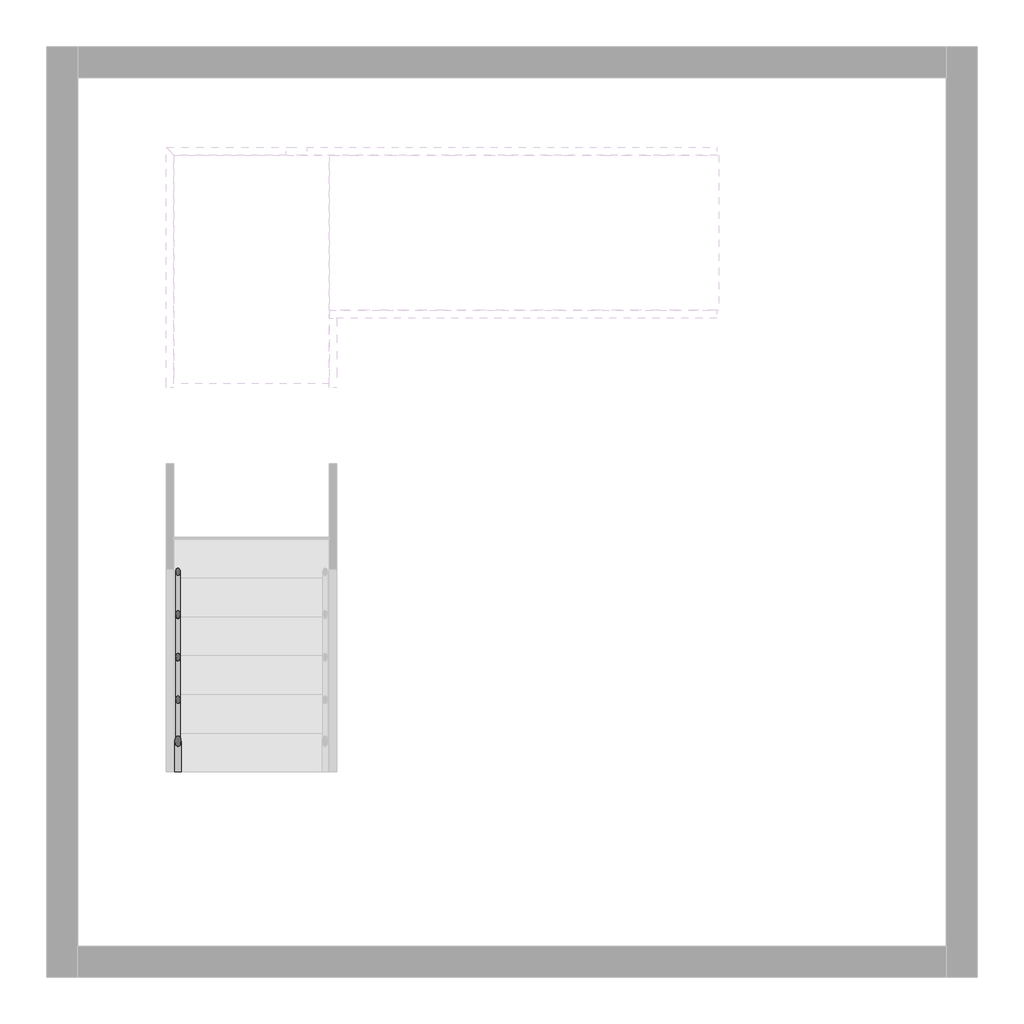
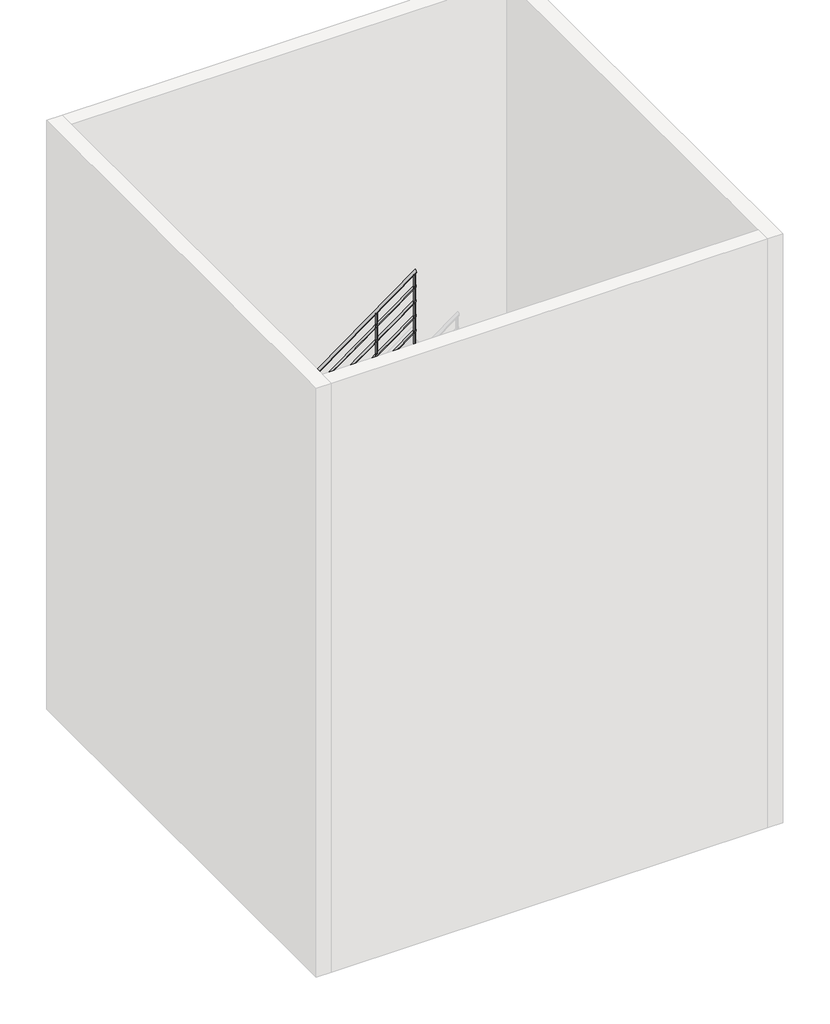
# One storey, part 6 of 7: 1 railing.
"""IFC4 building model written with IfcOpenShell, lengths in millimetres."""

from ifc_helpers import new_model, si_unit, point, frame, frame_2d, origin, place, context, project, spatial, circle_curve, ellipse_curve, trimmed, segment, composite_curve, outline, extrude, element, save
from ifc_brep_helpers import plane_surface, cylinder_surface, advanced_brep

model = new_model("IFC4")

# Units and contexts
model_context = context("Model", 3, world=origin())
ifc_project = project(units=[si_unit("LENGTHUNIT", "METRE", prefix="MILLI")], contexts=[model_context])

# Site, building, storey
site = spatial("IfcSite", under=ifc_project)
building = spatial("IfcBuilding", under=site)
storey = spatial("IfcBuildingStorey", under=building, Elevation=0.0)

# Railing
placement = place(None, origin())
element("IfcRailing", 1, at=placement, inside=storey, context=model_context, shape_type="SolidModel", body=[
    advanced_brep(
    [(4724.9324543, -20822.7019092, 1057.0882354), (4684.9324543, -20822.7019092, 1057.0882354), (4724.9324543, -18316.198233, 2880.0), (4684.9324543, -18316.198233, 2880.0), (4724.9324543, -16893.6676251, 2880.0), (4684.9324543, -16853.6676251, 2880.0), (5436.0361305, -16893.6676251, 2880.0), (5436.0361305, -16853.6676251, 2880.0), (5691.2958882, -16893.6676251, 3065.6434601), (5691.2958882, -16853.6676251, 3065.6434601), (8179.5324543, -16893.6676251, 4875.2700536), (8179.5324543, -16853.6676251, 4875.2700536)],
    [
        (0, 1, ellipse_curve(frame((4704.9324543, -20822.7019092, 1057.0882354), z_axis=(0.0, -1.0, 0.0), x_axis=(0.0, 0.0, -1.0)), 24.7299464, 20.0)),
        (1, 0, ellipse_curve(frame((4704.9324543, -20822.7019092, 1057.0882354), z_axis=(0.0, -1.0, 0.0), x_axis=(0.0, 0.0, -1.0)), 24.7299464, 20.0)),
        (0, 2),
        (2, 3, ellipse_curve(frame((4704.9324543, -18316.198233, 2880.0), z_axis=(0.0, -0.9509826718461248, -0.30924417189076636), x_axis=(0.0, 0.30924417189076703, -0.9509826718461245)), 21.0308774, 20.0)),
        (3, 1),
        (3, 2, ellipse_curve(frame((4704.9324543, -18316.198233, 2880.0), z_axis=(0.0, -0.9509826718461248, -0.30924417189076636), x_axis=(0.0, 0.30924417189076703, -0.9509826718461245)), 21.0308774, 20.0)),
        (2, 4),
        (4, 5, ellipse_curve(frame((4704.9324543, -16873.6676251, 2880.0), z_axis=(-0.7071067811865475, -0.7071067811865475, 0.0), x_axis=(0.7071067811865474, -0.7071067811865476, 0.0)), 28.2842712, 20.0)),
        (5, 3),
        (5, 4, ellipse_curve(frame((4704.9324543, -16873.6676251, 2880.0), z_axis=(-0.7071067811865475, -0.7071067811865475, 0.0), x_axis=(0.7071067811865474, -0.7071067811865476, 0.0)), 28.2842712, 20.0)),
        (4, 6),
        (6, 7, ellipse_curve(frame((5436.0361305, -16873.6676251, 2880.0), z_axis=(-0.9509826718461248, 0.0, -0.3092441718907662), x_axis=(-0.3092441718907657, 0.0, 0.9509826718461248)), 21.0308774, 20.0)),
        (7, 5),
        (7, 6, ellipse_curve(frame((5436.0361305, -16873.6676251, 2880.0), z_axis=(-0.9509826718461248, 0.0, -0.3092441718907662), x_axis=(-0.3092441718907657, 0.0, 0.9509826718461248)), 21.0308774, 20.0)),
        (6, 8),
        (8, 9, circle_curve(frame((5691.2958882, -16873.6676251, 3065.6434601), z_axis=(-0.8087360843031884, 0.0, -0.5881716976750463), x_axis=(0.0, 1.0, 0.0)), 20.0)),
        (9, 7),
        (9, 8, circle_curve(frame((5691.2958882, -16873.6676251, 3065.6434601), z_axis=(-0.8087360843031884, 0.0, -0.5881716976750463), x_axis=(0.0, 1.0, 0.0)), 20.0)),
        (10, 11, ellipse_curve(frame((8179.5324543, -16873.6676251, 4875.2700536), z_axis=(1.0, 0.0, 0.0), x_axis=(0.0, 0.0, -1.0)), 24.7299464, 20.0)),
        (11, 10, ellipse_curve(frame((8179.5324543, -16873.6676251, 4875.2700536), z_axis=(1.0, 0.0, 0.0), x_axis=(0.0, 0.0, -1.0)), 24.7299464, 20.0)),
        (8, 10),
        (11, 9),
    ],
    [
        plane_surface(frame((4704.9324543, -20822.7019092, 1081.8181818), z_axis=(0.0, -1.0, 0.0), x_axis=(0.0, 0.0, 1.0))),
        cylinder_surface(frame((4704.9324543, -20810.9384753, 1065.6434601), z_axis=(0.0, -0.8087360843031884, -0.5881716976750465), x_axis=(-1.0, 0.0, 0.0)), 20.0),
        cylinder_surface(frame((4704.9324543, -18322.7019092, 2880.0), z_axis=(0.0, -1.0, 0.0), x_axis=(-1.0, 0.0, 0.0)), 20.0),
        cylinder_surface(frame((4704.9324543, -16873.6676251, 2880.0), z_axis=(-1.0, 0.0, 0.0), x_axis=(0.0, 1.0, 0.0)), 20.0),
        cylinder_surface(frame((5441.2958882, -16873.6676251, 2883.8252783), z_axis=(-0.8087360843031884, 0.0, -0.5881716976750463), x_axis=(0.0, 1.0, 0.0)), 20.0),
        plane_surface(frame((8179.5324543, -16873.6676251, 4900.0), z_axis=(1.0, 0.0, 0.0), x_axis=(0.0, 1.0, 0.0))),
        cylinder_surface(frame((5691.2958882, -16873.6676251, 3065.6434601), z_axis=(-0.8087360843031883, 0.0, -0.5881716976750465), x_axis=(0.0, 1.0, 0.0)), 20.0),
    ],
    [
        (0, [[1, 2]]),
        (1, [[-1, 3, 4, 5]]),
        (1, [[-2, -5, 6, -3]]),
        (2, [[-4, 7, 8, 9]]),
        (2, [[-6, -9, 10, -7]]),
        (3, [[-8, 11, 12, 13]]),
        (3, [[-10, -13, 14, -11]]),
        (4, [[-12, 15, 16, 17]]),
        (4, [[-14, -17, 18, -15]]),
        (5, [[19, 20]]),
        (6, [[-16, 21, -20, 22]]),
        (6, [[-18, -22, -19, -21]]),
    ],
),
    advanced_brep(
    [(4719.9324543, -20822.7019092, 863.270722), (4689.9324543, -20822.7019092, 863.270722), (4719.9324543, -18322.7019092, 2681.4525402), (4689.9324543, -18322.7019092, 2681.4525402)],
    [
        (0, 1, ellipse_curve(frame((4704.9324543, -20822.7019092, 863.270722), z_axis=(0.0, -1.0, 0.0), x_axis=(0.0, 0.0, -1.0)), 18.5474598, 15.0)),
        (1, 0, ellipse_curve(frame((4704.9324543, -20822.7019092, 863.270722), z_axis=(0.0, -1.0, 0.0), x_axis=(0.0, 0.0, -1.0)), 18.5474598, 15.0)),
        (2, 3, ellipse_curve(frame((4704.9324543, -18322.7019092, 2681.4525402), z_axis=(0.0, 1.0, 0.0), x_axis=(0.0, 0.0, -1.0)), 18.5474598, 15.0)),
        (3, 2, ellipse_curve(frame((4704.9324543, -18322.7019092, 2681.4525402), z_axis=(0.0, 1.0, 0.0), x_axis=(0.0, 0.0, -1.0)), 18.5474598, 15.0)),
        (0, 2),
        (3, 1),
    ],
    [
        plane_surface(frame((4704.9324543, -20822.7019092, 881.8181818), z_axis=(0.0, -1.0, 0.0), x_axis=(0.0, 0.0, 1.0))),
        plane_surface(frame((4704.9324543, -18322.7019092, 2700.0), z_axis=(0.0, 1.0, 0.0), x_axis=(0.0, 0.0, 1.0))),
        cylinder_surface(frame((4704.9324543, -20813.8793338, 869.6871406), z_axis=(0.0, -0.8087360843031884, -0.5881716976750465), x_axis=(-1.0, 0.0, 0.0)), 15.0),
    ],
    [
        (0, [[1, 2]]),
        (1, [[3, 4]]),
        (2, [[-1, 5, -4, 6]]),
        (2, [[-2, -6, -3, -5]]),
    ],
),
    advanced_brep(
    [(4719.9324543, -18322.7019092, 2685.0), (4689.9324543, -18322.7019092, 2685.0), (4719.9324543, -16888.6676251, 2685.0), (4689.9324543, -16888.6676251, 2685.0)],
    [
        (0, 1, circle_curve(frame((4704.9324543, -18322.7019092, 2685.0), z_axis=(0.0, -1.0, 0.0), x_axis=(-1.0, 0.0, 0.0)), 15.0)),
        (1, 0, circle_curve(frame((4704.9324543, -18322.7019092, 2685.0), z_axis=(0.0, -1.0, 0.0), x_axis=(-1.0, 0.0, 0.0)), 15.0)),
        (2, 3, circle_curve(frame((4704.9324543, -16888.6676251, 2685.0), z_axis=(0.0, 1.0, 0.0), x_axis=(-1.0, 0.0, 0.0)), 15.0)),
        (3, 2, circle_curve(frame((4704.9324543, -16888.6676251, 2685.0), z_axis=(0.0, 1.0, 0.0), x_axis=(-1.0, 0.0, 0.0)), 15.0)),
        (0, 2),
        (3, 1),
    ],
    [
        plane_surface(frame((4704.9324543, -18322.7019092, 2700.0), z_axis=(0.0, -1.0, 0.0), x_axis=(0.0, 0.0, 1.0))),
        plane_surface(frame((4704.9324543, -16888.6676251, 2700.0), z_axis=(0.0, 1.0, 0.0), x_axis=(0.0, 0.0, 1.0))),
        cylinder_surface(frame((4704.9324543, -18322.7019092, 2685.0), z_axis=(0.0, -1.0, 0.0), x_axis=(-1.0, 0.0, 0.0)), 15.0),
    ],
    [
        (0, [[1, 2]]),
        (1, [[3, 4]]),
        (2, [[-1, 5, -4, 6]]),
        (2, [[-2, -6, -3, -5]]),
    ],
),
    advanced_brep(
    [(4689.9324543, -16888.6676251, 2685.0), (4689.9324543, -16858.6676251, 2685.0), (5434.4102115, -16888.6676251, 2685.0), (5434.4102115, -16858.6676251, 2685.0), (5679.5324543, -16888.6676251, 2863.270722), (5679.5324543, -16858.6676251, 2863.270722)],
    [
        (0, 1, circle_curve(frame((4689.9324543, -16873.6676251, 2685.0), z_axis=(-1.0, 0.0, 0.0), x_axis=(0.0, 1.0, 0.0)), 15.0)),
        (1, 0, circle_curve(frame((4689.9324543, -16873.6676251, 2685.0), z_axis=(-1.0, 0.0, 0.0), x_axis=(0.0, 1.0, 0.0)), 15.0)),
        (0, 2),
        (2, 3, ellipse_curve(frame((5434.4102115, -16873.6676251, 2685.0), z_axis=(-0.9509826718461248, 0.0, -0.3092441718907662), x_axis=(-0.30924417189076575, 0.0, 0.9509826718461248)), 15.7731581, 15.0)),
        (3, 1),
        (3, 2, ellipse_curve(frame((5434.4102115, -16873.6676251, 2685.0), z_axis=(-0.9509826718461248, 0.0, -0.3092441718907662), x_axis=(-0.30924417189076575, 0.0, 0.9509826718461248)), 15.7731581, 15.0)),
        (4, 5, ellipse_curve(frame((5679.5324543, -16873.6676251, 2863.270722), z_axis=(1.0, 0.0, 0.0), x_axis=(0.0, 0.0, -0.9999999999999999)), 18.5474598, 15.0)),
        (5, 4, ellipse_curve(frame((5679.5324543, -16873.6676251, 2863.270722), z_axis=(1.0, 0.0, 0.0), x_axis=(0.0, 0.0, -0.9999999999999999)), 18.5474598, 15.0)),
        (2, 4),
        (5, 3),
    ],
    [
        plane_surface(frame((4689.9324543, -16873.6676251, 2700.0), z_axis=(-1.0, 0.0, 0.0), x_axis=(0.0, 1.0, 0.0))),
        cylinder_surface(frame((4689.9324543, -16873.6676251, 2685.0), z_axis=(-1.0, 0.0, 0.0), x_axis=(0.0, 1.0, 0.0)), 15.0),
        plane_surface(frame((5679.5324543, -16873.6676251, 2881.8181818), z_axis=(1.0, 0.0, 0.0), x_axis=(0.0, 1.0, 0.0))),
        cylinder_surface(frame((5438.3550297, -16873.6676251, 2687.8689587), z_axis=(-0.8087360843031884, 0.0, -0.5881716976750463), x_axis=(0.0, 1.0, 0.0)), 15.0),
    ],
    [
        (0, [[1, 2]]),
        (1, [[-1, 3, 4, 5]]),
        (1, [[-2, -5, 6, -3]]),
        (2, [[7, 8]]),
        (3, [[-4, 9, -8, 10]]),
        (3, [[-6, -10, -7, -9]]),
    ],
),
    advanced_brep(
    [(5679.5324543, -16888.6676251, 2863.270722), (5679.5324543, -16858.6676251, 2863.270722), (8179.5324543, -16888.6676251, 4681.4525402), (8179.5324543, -16858.6676251, 4681.4525402)],
    [
        (0, 1, ellipse_curve(frame((5679.5324543, -16873.6676251, 2863.270722), z_axis=(-1.0, 0.0, 0.0), x_axis=(0.0, 0.0, -1.0)), 18.5474598, 15.0)),
        (1, 0, ellipse_curve(frame((5679.5324543, -16873.6676251, 2863.270722), z_axis=(-1.0, 0.0, 0.0), x_axis=(0.0, 0.0, -1.0)), 18.5474598, 15.0)),
        (2, 3, ellipse_curve(frame((8179.5324543, -16873.6676251, 4681.4525402), z_axis=(1.0, 0.0, 0.0), x_axis=(0.0, 0.0, -1.0)), 18.5474598, 15.0)),
        (3, 2, ellipse_curve(frame((8179.5324543, -16873.6676251, 4681.4525402), z_axis=(1.0, 0.0, 0.0), x_axis=(0.0, 0.0, -1.0)), 18.5474598, 15.0)),
        (0, 2),
        (3, 1),
    ],
    [
        plane_surface(frame((5679.5324543, -16873.6676251, 2881.8181818), z_axis=(-1.0, 0.0, 0.0), x_axis=(0.0, 1.0, 0.0))),
        plane_surface(frame((8179.5324543, -16873.6676251, 4700.0), z_axis=(1.0, 0.0, 0.0), x_axis=(0.0, 1.0, 0.0))),
        cylinder_surface(frame((5688.3550297, -16873.6676251, 2869.6871406), z_axis=(-0.8087360843031884, 0.0, -0.5881716976750465), x_axis=(0.0, 1.0, 0.0)), 15.0),
    ],
    [
        (0, [[1, 2]]),
        (1, [[3, 4]]),
        (2, [[-1, 5, -4, 6]]),
        (2, [[-2, -6, -3, -5]]),
    ],
),
    advanced_brep(
    [(4719.9324543, -20822.7019092, 663.270722), (4689.9324543, -20822.7019092, 663.270722), (4719.9324543, -18322.7019092, 2481.4525402), (4689.9324543, -18322.7019092, 2481.4525402)],
    [
        (0, 1, ellipse_curve(frame((4704.9324543, -20822.7019092, 663.270722), z_axis=(0.0, -1.0, 0.0), x_axis=(0.0, 0.0, -1.0)), 18.5474598, 15.0)),
        (1, 0, ellipse_curve(frame((4704.9324543, -20822.7019092, 663.270722), z_axis=(0.0, -1.0, 0.0), x_axis=(0.0, 0.0, -1.0)), 18.5474598, 15.0)),
        (2, 3, ellipse_curve(frame((4704.9324543, -18322.7019092, 2481.4525402), z_axis=(0.0, 1.0, 0.0), x_axis=(0.0, 0.0, -1.0)), 18.5474598, 15.0)),
        (3, 2, ellipse_curve(frame((4704.9324543, -18322.7019092, 2481.4525402), z_axis=(0.0, 1.0, 0.0), x_axis=(0.0, 0.0, -1.0)), 18.5474598, 15.0)),
        (0, 2),
        (3, 1),
    ],
    [
        plane_surface(frame((4704.9324543, -20822.7019092, 681.8181818), z_axis=(0.0, -1.0, 0.0), x_axis=(0.0, 0.0, 1.0))),
        plane_surface(frame((4704.9324543, -18322.7019092, 2500.0), z_axis=(0.0, 1.0, 0.0), x_axis=(0.0, 0.0, 1.0))),
        cylinder_surface(frame((4704.9324543, -20813.8793338, 669.6871406), z_axis=(0.0, -0.8087360843031884, -0.5881716976750465), x_axis=(-1.0, 0.0, 0.0)), 15.0),
    ],
    [
        (0, [[1, 2]]),
        (1, [[3, 4]]),
        (2, [[-1, 5, -4, 6]]),
        (2, [[-2, -6, -3, -5]]),
    ],
),
    advanced_brep(
    [(4719.9324543, -18322.7019092, 2485.0), (4689.9324543, -18322.7019092, 2485.0), (4719.9324543, -16888.6676251, 2485.0), (4689.9324543, -16888.6676251, 2485.0)],
    [
        (0, 1, circle_curve(frame((4704.9324543, -18322.7019092, 2485.0), z_axis=(0.0, -1.0, 0.0), x_axis=(-1.0, 0.0, 0.0)), 15.0)),
        (1, 0, circle_curve(frame((4704.9324543, -18322.7019092, 2485.0), z_axis=(0.0, -1.0, 0.0), x_axis=(-1.0, 0.0, 0.0)), 15.0)),
        (2, 3, circle_curve(frame((4704.9324543, -16888.6676251, 2485.0), z_axis=(0.0, 1.0, 0.0), x_axis=(-1.0, 0.0, 0.0)), 15.0)),
        (3, 2, circle_curve(frame((4704.9324543, -16888.6676251, 2485.0), z_axis=(0.0, 1.0, 0.0), x_axis=(-1.0, 0.0, 0.0)), 15.0)),
        (0, 2),
        (3, 1),
    ],
    [
        plane_surface(frame((4704.9324543, -18322.7019092, 2500.0), z_axis=(0.0, -1.0, 0.0), x_axis=(0.0, 0.0, 1.0))),
        plane_surface(frame((4704.9324543, -16888.6676251, 2500.0), z_axis=(0.0, 1.0, 0.0), x_axis=(0.0, 0.0, 1.0))),
        cylinder_surface(frame((4704.9324543, -18322.7019092, 2485.0), z_axis=(0.0, -1.0, 0.0), x_axis=(-1.0, 0.0, 0.0)), 15.0),
    ],
    [
        (0, [[1, 2]]),
        (1, [[3, 4]]),
        (2, [[-1, 5, -4, 6]]),
        (2, [[-2, -6, -3, -5]]),
    ],
),
    advanced_brep(
    [(4689.9324543, -16888.6676251, 2485.0), (4689.9324543, -16858.6676251, 2485.0), (5434.4102115, -16888.6676251, 2485.0), (5434.4102115, -16858.6676251, 2485.0), (5679.5324543, -16888.6676251, 2663.270722), (5679.5324543, -16858.6676251, 2663.270722)],
    [
        (0, 1, circle_curve(frame((4689.9324543, -16873.6676251, 2485.0), z_axis=(-1.0, 0.0, 0.0), x_axis=(0.0, 1.0, 0.0)), 15.0)),
        (1, 0, circle_curve(frame((4689.9324543, -16873.6676251, 2485.0), z_axis=(-1.0, 0.0, 0.0), x_axis=(0.0, 1.0, 0.0)), 15.0)),
        (0, 2),
        (2, 3, ellipse_curve(frame((5434.4102115, -16873.6676251, 2485.0), z_axis=(-0.9509826718461248, 0.0, -0.3092441718907662), x_axis=(-0.30924417189076575, 0.0, 0.9509826718461248)), 15.7731581, 15.0)),
        (3, 1),
        (3, 2, ellipse_curve(frame((5434.4102115, -16873.6676251, 2485.0), z_axis=(-0.9509826718461248, 0.0, -0.3092441718907662), x_axis=(-0.30924417189076575, 0.0, 0.9509826718461248)), 15.7731581, 15.0)),
        (4, 5, ellipse_curve(frame((5679.5324543, -16873.6676251, 2663.270722), z_axis=(1.0, 0.0, 0.0), x_axis=(0.0, 0.0, -0.9999999999999999)), 18.5474598, 15.0)),
        (5, 4, ellipse_curve(frame((5679.5324543, -16873.6676251, 2663.270722), z_axis=(1.0, 0.0, 0.0), x_axis=(0.0, 0.0, -0.9999999999999999)), 18.5474598, 15.0)),
        (2, 4),
        (5, 3),
    ],
    [
        plane_surface(frame((4689.9324543, -16873.6676251, 2500.0), z_axis=(-1.0, 0.0, 0.0), x_axis=(0.0, 1.0, 0.0))),
        cylinder_surface(frame((4689.9324543, -16873.6676251, 2485.0), z_axis=(-1.0, 0.0, 0.0), x_axis=(0.0, 1.0, 0.0)), 15.0),
        plane_surface(frame((5679.5324543, -16873.6676251, 2681.8181818), z_axis=(1.0, 0.0, 0.0), x_axis=(0.0, 1.0, 0.0))),
        cylinder_surface(frame((5438.3550297, -16873.6676251, 2487.8689587), z_axis=(-0.8087360843031884, 0.0, -0.5881716976750463), x_axis=(0.0, 1.0, 0.0)), 15.0),
    ],
    [
        (0, [[1, 2]]),
        (1, [[-1, 3, 4, 5]]),
        (1, [[-2, -5, 6, -3]]),
        (2, [[7, 8]]),
        (3, [[-4, 9, -8, 10]]),
        (3, [[-6, -10, -7, -9]]),
    ],
),
    advanced_brep(
    [(5679.5324543, -16888.6676251, 2663.270722), (5679.5324543, -16858.6676251, 2663.270722), (8179.5324543, -16888.6676251, 4481.4525402), (8179.5324543, -16858.6676251, 4481.4525402)],
    [
        (0, 1, ellipse_curve(frame((5679.5324543, -16873.6676251, 2663.270722), z_axis=(-1.0, 0.0, 0.0), x_axis=(0.0, 0.0, -1.0)), 18.5474598, 15.0)),
        (1, 0, ellipse_curve(frame((5679.5324543, -16873.6676251, 2663.270722), z_axis=(-1.0, 0.0, 0.0), x_axis=(0.0, 0.0, -1.0)), 18.5474598, 15.0)),
        (2, 3, ellipse_curve(frame((8179.5324543, -16873.6676251, 4481.4525402), z_axis=(1.0, 0.0, 0.0), x_axis=(0.0, 0.0, -1.0)), 18.5474598, 15.0)),
        (3, 2, ellipse_curve(frame((8179.5324543, -16873.6676251, 4481.4525402), z_axis=(1.0, 0.0, 0.0), x_axis=(0.0, 0.0, -1.0)), 18.5474598, 15.0)),
        (0, 2),
        (3, 1),
    ],
    [
        plane_surface(frame((5679.5324543, -16873.6676251, 2681.8181818), z_axis=(-1.0, 0.0, 0.0), x_axis=(0.0, 1.0, 0.0))),
        plane_surface(frame((8179.5324543, -16873.6676251, 4500.0), z_axis=(1.0, 0.0, 0.0), x_axis=(0.0, 1.0, 0.0))),
        cylinder_surface(frame((5688.3550297, -16873.6676251, 2669.6871406), z_axis=(-0.8087360843031884, 0.0, -0.5881716976750465), x_axis=(0.0, 1.0, 0.0)), 15.0),
    ],
    [
        (0, [[1, 2]]),
        (1, [[3, 4]]),
        (2, [[-1, 5, -4, 6]]),
        (2, [[-2, -6, -3, -5]]),
    ],
),
    advanced_brep(
    [(4719.9324543, -20822.7019092, 463.270722), (4689.9324543, -20822.7019092, 463.270722), (4719.9324543, -18322.7019092, 2281.4525402), (4689.9324543, -18322.7019092, 2281.4525402)],
    [
        (0, 1, ellipse_curve(frame((4704.9324543, -20822.7019092, 463.270722), z_axis=(0.0, -1.0, 0.0), x_axis=(0.0, 0.0, -1.0)), 18.5474598, 15.0)),
        (1, 0, ellipse_curve(frame((4704.9324543, -20822.7019092, 463.270722), z_axis=(0.0, -1.0, 0.0), x_axis=(0.0, 0.0, -1.0)), 18.5474598, 15.0)),
        (2, 3, ellipse_curve(frame((4704.9324543, -18322.7019092, 2281.4525402), z_axis=(0.0, 1.0, 0.0), x_axis=(0.0, 0.0, -1.0)), 18.5474598, 15.0)),
        (3, 2, ellipse_curve(frame((4704.9324543, -18322.7019092, 2281.4525402), z_axis=(0.0, 1.0, 0.0), x_axis=(0.0, 0.0, -1.0)), 18.5474598, 15.0)),
        (0, 2),
        (3, 1),
    ],
    [
        plane_surface(frame((4704.9324543, -20822.7019092, 481.8181818), z_axis=(0.0, -1.0, 0.0), x_axis=(0.0, 0.0, 1.0))),
        plane_surface(frame((4704.9324543, -18322.7019092, 2300.0), z_axis=(0.0, 1.0, 0.0), x_axis=(0.0, 0.0, 1.0))),
        cylinder_surface(frame((4704.9324543, -20813.8793338, 469.6871406), z_axis=(0.0, -0.8087360843031884, -0.5881716976750465), x_axis=(-1.0, 0.0, 0.0)), 15.0),
    ],
    [
        (0, [[1, 2]]),
        (1, [[3, 4]]),
        (2, [[-1, 5, -4, 6]]),
        (2, [[-2, -6, -3, -5]]),
    ],
),
    advanced_brep(
    [(4719.9324543, -18322.7019092, 2285.0), (4689.9324543, -18322.7019092, 2285.0), (4719.9324543, -16888.6676251, 2285.0), (4689.9324543, -16888.6676251, 2285.0)],
    [
        (0, 1, circle_curve(frame((4704.9324543, -18322.7019092, 2285.0), z_axis=(0.0, -1.0, 0.0), x_axis=(-1.0, 0.0, 0.0)), 15.0)),
        (1, 0, circle_curve(frame((4704.9324543, -18322.7019092, 2285.0), z_axis=(0.0, -1.0, 0.0), x_axis=(-1.0, 0.0, 0.0)), 15.0)),
        (2, 3, circle_curve(frame((4704.9324543, -16888.6676251, 2285.0), z_axis=(0.0, 1.0, 0.0), x_axis=(-1.0, 0.0, 0.0)), 15.0)),
        (3, 2, circle_curve(frame((4704.9324543, -16888.6676251, 2285.0), z_axis=(0.0, 1.0, 0.0), x_axis=(-1.0, 0.0, 0.0)), 15.0)),
        (0, 2),
        (3, 1),
    ],
    [
        plane_surface(frame((4704.9324543, -18322.7019092, 2300.0), z_axis=(0.0, -1.0, 0.0), x_axis=(0.0, 0.0, 1.0))),
        plane_surface(frame((4704.9324543, -16888.6676251, 2300.0), z_axis=(0.0, 1.0, 0.0), x_axis=(0.0, 0.0, 1.0))),
        cylinder_surface(frame((4704.9324543, -18322.7019092, 2285.0), z_axis=(0.0, -1.0, 0.0), x_axis=(-1.0, 0.0, 0.0)), 15.0),
    ],
    [
        (0, [[1, 2]]),
        (1, [[3, 4]]),
        (2, [[-1, 5, -4, 6]]),
        (2, [[-2, -6, -3, -5]]),
    ],
),
    advanced_brep(
    [(4689.9324543, -16888.6676251, 2285.0), (4689.9324543, -16858.6676251, 2285.0), (5434.4102115, -16888.6676251, 2285.0), (5434.4102115, -16858.6676251, 2285.0), (5679.5324543, -16888.6676251, 2463.270722), (5679.5324543, -16858.6676251, 2463.270722)],
    [
        (0, 1, circle_curve(frame((4689.9324543, -16873.6676251, 2285.0), z_axis=(-1.0, 0.0, 0.0), x_axis=(0.0, 1.0, 0.0)), 15.0)),
        (1, 0, circle_curve(frame((4689.9324543, -16873.6676251, 2285.0), z_axis=(-1.0, 0.0, 0.0), x_axis=(0.0, 1.0, 0.0)), 15.0)),
        (0, 2),
        (2, 3, ellipse_curve(frame((5434.4102115, -16873.6676251, 2285.0), z_axis=(-0.9509826718461248, 0.0, -0.3092441718907662), x_axis=(-0.30924417189076575, 0.0, 0.9509826718461248)), 15.7731581, 15.0)),
        (3, 1),
        (3, 2, ellipse_curve(frame((5434.4102115, -16873.6676251, 2285.0), z_axis=(-0.9509826718461248, 0.0, -0.3092441718907662), x_axis=(-0.30924417189076575, 0.0, 0.9509826718461248)), 15.7731581, 15.0)),
        (4, 5, ellipse_curve(frame((5679.5324543, -16873.6676251, 2463.270722), z_axis=(1.0, 0.0, 0.0), x_axis=(0.0, 0.0, -0.9999999999999999)), 18.5474598, 15.0)),
        (5, 4, ellipse_curve(frame((5679.5324543, -16873.6676251, 2463.270722), z_axis=(1.0, 0.0, 0.0), x_axis=(0.0, 0.0, -0.9999999999999999)), 18.5474598, 15.0)),
        (2, 4),
        (5, 3),
    ],
    [
        plane_surface(frame((4689.9324543, -16873.6676251, 2300.0), z_axis=(-1.0, 0.0, 0.0), x_axis=(0.0, 1.0, 0.0))),
        cylinder_surface(frame((4689.9324543, -16873.6676251, 2285.0), z_axis=(-1.0, 0.0, 0.0), x_axis=(0.0, 1.0, 0.0)), 15.0),
        plane_surface(frame((5679.5324543, -16873.6676251, 2481.8181818), z_axis=(1.0, 0.0, 0.0), x_axis=(0.0, 1.0, 0.0))),
        cylinder_surface(frame((5438.3550297, -16873.6676251, 2287.8689587), z_axis=(-0.8087360843031884, 0.0, -0.5881716976750463), x_axis=(0.0, 1.0, 0.0)), 15.0),
    ],
    [
        (0, [[1, 2]]),
        (1, [[-1, 3, 4, 5]]),
        (1, [[-2, -5, 6, -3]]),
        (2, [[7, 8]]),
        (3, [[-4, 9, -8, 10]]),
        (3, [[-6, -10, -7, -9]]),
    ],
),
    advanced_brep(
    [(5679.5324543, -16888.6676251, 2463.270722), (5679.5324543, -16858.6676251, 2463.270722), (8179.5324543, -16888.6676251, 4281.4525402), (8179.5324543, -16858.6676251, 4281.4525402)],
    [
        (0, 1, ellipse_curve(frame((5679.5324543, -16873.6676251, 2463.270722), z_axis=(-1.0, 0.0, 0.0), x_axis=(0.0, 0.0, -1.0)), 18.5474598, 15.0)),
        (1, 0, ellipse_curve(frame((5679.5324543, -16873.6676251, 2463.270722), z_axis=(-1.0, 0.0, 0.0), x_axis=(0.0, 0.0, -1.0)), 18.5474598, 15.0)),
        (2, 3, ellipse_curve(frame((8179.5324543, -16873.6676251, 4281.4525402), z_axis=(1.0, 0.0, 0.0), x_axis=(0.0, 0.0, -1.0)), 18.5474598, 15.0)),
        (3, 2, ellipse_curve(frame((8179.5324543, -16873.6676251, 4281.4525402), z_axis=(1.0, 0.0, 0.0), x_axis=(0.0, 0.0, -1.0)), 18.5474598, 15.0)),
        (0, 2),
        (3, 1),
    ],
    [
        plane_surface(frame((5679.5324543, -16873.6676251, 2481.8181818), z_axis=(-1.0, 0.0, 0.0), x_axis=(0.0, 1.0, 0.0))),
        plane_surface(frame((8179.5324543, -16873.6676251, 4300.0), z_axis=(1.0, 0.0, 0.0), x_axis=(0.0, 1.0, 0.0))),
        cylinder_surface(frame((5688.3550297, -16873.6676251, 2469.6871406), z_axis=(-0.8087360843031884, 0.0, -0.5881716976750465), x_axis=(0.0, 1.0, 0.0)), 15.0),
    ],
    [
        (0, [[1, 2]]),
        (1, [[3, 4]]),
        (2, [[-1, 5, -4, 6]]),
        (2, [[-2, -6, -3, -5]]),
    ],
),
    advanced_brep(
    [(4719.9324543, -20822.7019092, 263.270722), (4689.9324543, -20822.7019092, 263.270722), (4719.9324543, -18322.7019092, 2081.4525402), (4689.9324543, -18322.7019092, 2081.4525402)],
    [
        (0, 1, ellipse_curve(frame((4704.9324543, -20822.7019092, 263.270722), z_axis=(0.0, -1.0, 0.0), x_axis=(0.0, 0.0, -1.0)), 18.5474598, 15.0)),
        (1, 0, ellipse_curve(frame((4704.9324543, -20822.7019092, 263.270722), z_axis=(0.0, -1.0, 0.0), x_axis=(0.0, 0.0, -1.0)), 18.5474598, 15.0)),
        (2, 3, ellipse_curve(frame((4704.9324543, -18322.7019092, 2081.4525402), z_axis=(0.0, 1.0, 0.0), x_axis=(0.0, 0.0, -1.0)), 18.5474598, 15.0)),
        (3, 2, ellipse_curve(frame((4704.9324543, -18322.7019092, 2081.4525402), z_axis=(0.0, 1.0, 0.0), x_axis=(0.0, 0.0, -1.0)), 18.5474598, 15.0)),
        (0, 2),
        (3, 1),
    ],
    [
        plane_surface(frame((4704.9324543, -20822.7019092, 281.8181818), z_axis=(0.0, -1.0, 0.0), x_axis=(0.0, 0.0, 1.0))),
        plane_surface(frame((4704.9324543, -18322.7019092, 2100.0), z_axis=(0.0, 1.0, 0.0), x_axis=(0.0, 0.0, 1.0))),
        cylinder_surface(frame((4704.9324543, -20813.8793338, 269.6871406), z_axis=(0.0, -0.8087360843031884, -0.5881716976750465), x_axis=(-1.0, 0.0, 0.0)), 15.0),
    ],
    [
        (0, [[1, 2]]),
        (1, [[3, 4]]),
        (2, [[-1, 5, -4, 6]]),
        (2, [[-2, -6, -3, -5]]),
    ],
),
    advanced_brep(
    [(4719.9324543, -18322.7019092, 2085.0), (4689.9324543, -18322.7019092, 2085.0), (4719.9324543, -16888.6676251, 2085.0), (4689.9324543, -16888.6676251, 2085.0)],
    [
        (0, 1, circle_curve(frame((4704.9324543, -18322.7019092, 2085.0), z_axis=(0.0, -1.0, 0.0), x_axis=(-1.0, 0.0, 0.0)), 15.0)),
        (1, 0, circle_curve(frame((4704.9324543, -18322.7019092, 2085.0), z_axis=(0.0, -1.0, 0.0), x_axis=(-1.0, 0.0, 0.0)), 15.0)),
        (2, 3, circle_curve(frame((4704.9324543, -16888.6676251, 2085.0), z_axis=(0.0, 1.0, 0.0), x_axis=(-1.0, 0.0, 0.0)), 15.0)),
        (3, 2, circle_curve(frame((4704.9324543, -16888.6676251, 2085.0), z_axis=(0.0, 1.0, 0.0), x_axis=(-1.0, 0.0, 0.0)), 15.0)),
        (0, 2),
        (3, 1),
    ],
    [
        plane_surface(frame((4704.9324543, -18322.7019092, 2100.0), z_axis=(0.0, -1.0, 0.0), x_axis=(0.0, 0.0, 1.0))),
        plane_surface(frame((4704.9324543, -16888.6676251, 2100.0), z_axis=(0.0, 1.0, 0.0), x_axis=(0.0, 0.0, 1.0))),
        cylinder_surface(frame((4704.9324543, -18322.7019092, 2085.0), z_axis=(0.0, -1.0, 0.0), x_axis=(-1.0, 0.0, 0.0)), 15.0),
    ],
    [
        (0, [[1, 2]]),
        (1, [[3, 4]]),
        (2, [[-1, 5, -4, 6]]),
        (2, [[-2, -6, -3, -5]]),
    ],
),
    advanced_brep(
    [(4689.9324543, -16888.6676251, 2085.0), (4689.9324543, -16858.6676251, 2085.0), (5434.4102115, -16888.6676251, 2085.0), (5434.4102115, -16858.6676251, 2085.0), (5679.5324543, -16888.6676251, 2263.270722), (5679.5324543, -16858.6676251, 2263.270722)],
    [
        (0, 1, circle_curve(frame((4689.9324543, -16873.6676251, 2085.0), z_axis=(-1.0, 0.0, 0.0), x_axis=(0.0, 1.0, 0.0)), 15.0)),
        (1, 0, circle_curve(frame((4689.9324543, -16873.6676251, 2085.0), z_axis=(-1.0, 0.0, 0.0), x_axis=(0.0, 1.0, 0.0)), 15.0)),
        (0, 2),
        (2, 3, ellipse_curve(frame((5434.4102115, -16873.6676251, 2085.0), z_axis=(-0.9509826718461248, 0.0, -0.3092441718907662), x_axis=(-0.30924417189076575, 0.0, 0.9509826718461248)), 15.7731581, 15.0)),
        (3, 1),
        (3, 2, ellipse_curve(frame((5434.4102115, -16873.6676251, 2085.0), z_axis=(-0.9509826718461248, 0.0, -0.3092441718907662), x_axis=(-0.30924417189076575, 0.0, 0.9509826718461248)), 15.7731581, 15.0)),
        (4, 5, ellipse_curve(frame((5679.5324543, -16873.6676251, 2263.270722), z_axis=(1.0, 0.0, 0.0), x_axis=(0.0, 0.0, -0.9999999999999999)), 18.5474598, 15.0)),
        (5, 4, ellipse_curve(frame((5679.5324543, -16873.6676251, 2263.270722), z_axis=(1.0, 0.0, 0.0), x_axis=(0.0, 0.0, -0.9999999999999999)), 18.5474598, 15.0)),
        (2, 4),
        (5, 3),
    ],
    [
        plane_surface(frame((4689.9324543, -16873.6676251, 2100.0), z_axis=(-1.0, 0.0, 0.0), x_axis=(0.0, 1.0, 0.0))),
        cylinder_surface(frame((4689.9324543, -16873.6676251, 2085.0), z_axis=(-1.0, 0.0, 0.0), x_axis=(0.0, 1.0, 0.0)), 15.0),
        plane_surface(frame((5679.5324543, -16873.6676251, 2281.8181818), z_axis=(1.0, 0.0, 0.0), x_axis=(0.0, 1.0, 0.0))),
        cylinder_surface(frame((5438.3550297, -16873.6676251, 2087.8689587), z_axis=(-0.8087360843031884, 0.0, -0.5881716976750463), x_axis=(0.0, 1.0, 0.0)), 15.0),
    ],
    [
        (0, [[1, 2]]),
        (1, [[-1, 3, 4, 5]]),
        (1, [[-2, -5, 6, -3]]),
        (2, [[7, 8]]),
        (3, [[-4, 9, -8, 10]]),
        (3, [[-6, -10, -7, -9]]),
    ],
),
    advanced_brep(
    [(5679.5324543, -16888.6676251, 2263.270722), (5679.5324543, -16858.6676251, 2263.270722), (8179.5324543, -16888.6676251, 4081.4525402), (8179.5324543, -16858.6676251, 4081.4525402)],
    [
        (0, 1, ellipse_curve(frame((5679.5324543, -16873.6676251, 2263.270722), z_axis=(-1.0, 0.0, 0.0), x_axis=(0.0, 0.0, -1.0)), 18.5474598, 15.0)),
        (1, 0, ellipse_curve(frame((5679.5324543, -16873.6676251, 2263.270722), z_axis=(-1.0, 0.0, 0.0), x_axis=(0.0, 0.0, -1.0)), 18.5474598, 15.0)),
        (2, 3, ellipse_curve(frame((8179.5324543, -16873.6676251, 4081.4525402), z_axis=(1.0, 0.0, 0.0), x_axis=(0.0, 0.0, -1.0)), 18.5474598, 15.0)),
        (3, 2, ellipse_curve(frame((8179.5324543, -16873.6676251, 4081.4525402), z_axis=(1.0, 0.0, 0.0), x_axis=(0.0, 0.0, -1.0)), 18.5474598, 15.0)),
        (0, 2),
        (3, 1),
    ],
    [
        plane_surface(frame((5679.5324543, -16873.6676251, 2281.8181818), z_axis=(-1.0, 0.0, 0.0), x_axis=(0.0, 1.0, 0.0))),
        plane_surface(frame((8179.5324543, -16873.6676251, 4100.0), z_axis=(1.0, 0.0, 0.0), x_axis=(0.0, 1.0, 0.0))),
        cylinder_surface(frame((5688.3550297, -16873.6676251, 2269.6871406), z_axis=(-0.8087360843031884, 0.0, -0.5881716976750465), x_axis=(0.0, 1.0, 0.0)), 15.0),
    ],
    [
        (0, [[1, 2]]),
        (1, [[3, 4]]),
        (2, [[-1, 5, -4, 6]]),
        (2, [[-2, -6, -3, -5]]),
    ],
),
    advanced_brep(
    [(7679.5324543, -16861.1676251, 4486.9037436), (7679.5324543, -16886.1676251, 4486.9037436), (7679.5324543, -16886.1676251, 3636.3636364), (7679.5324543, -16861.1676251, 3636.3636364)],
    [
        (0, 1, ellipse_curve(frame((7679.5324543, -16873.6676251, 4486.9037436), z_axis=(0.5881716976750454, 0.0, -0.8087360843031891), x_axis=(0.8087360843031891, 0.0, 0.5881716976750453)), 15.4562165, 12.5)),
        (1, 2),
        (2, 3, circle_curve(frame((7679.5324543, -16873.6676251, 3636.3636364), z_axis=(0.0, 0.0, 1.0), x_axis=(0.0, -1.0, 0.0)), 12.5)),
        (3, 0),
        (3, 2, circle_curve(frame((7679.5324543, -16873.6676251, 3636.3636364), z_axis=(0.0, 0.0, 1.0), x_axis=(0.0, -1.0, 0.0)), 12.5)),
        (1, 0, ellipse_curve(frame((7679.5324543, -16873.6676251, 4486.9037436), z_axis=(0.5881716976750454, 0.0, -0.8087360843031891), x_axis=(0.8087360843031891, 0.0, 0.5881716976750453)), 15.4562165, 12.5)),
    ],
    [
        cylinder_surface(frame((7679.5324543, -16873.6676251, 3536.3636364), z_axis=(0.0, 0.0, 1.0), x_axis=(0.0, -1.0, 0.0)), 12.5),
        plane_surface(frame((7704.5324543, -16898.6676251, 4505.0855618), z_axis=(-0.5881716976750454, 0.0, 0.8087360843031891), x_axis=(0.0, 1.0, 0.0))),
        plane_surface(frame((7654.5324543, -16898.6676251, 3636.3636364), z_axis=(0.0, 0.0, -1.0), x_axis=(0.0, 1.0, 0.0))),
    ],
    [
        (0, [[1, 2, 3, 4]]),
        (0, [[5, -2, 6, -4]]),
        (1, [[-6, -1]]),
        (2, [[-5, -3]]),
    ],
),
    advanced_brep(
    [(6679.5324543, -16861.1676251, 3759.6310163), (6679.5324543, -16886.1676251, 3759.6310163), (6679.5324543, -16886.1676251, 2909.0909091), (6679.5324543, -16861.1676251, 2909.0909091)],
    [
        (0, 1, ellipse_curve(frame((6679.5324543, -16873.6676251, 3759.6310163), z_axis=(0.5881716976750454, 0.0, -0.8087360843031891), x_axis=(0.8087360843031891, 0.0, 0.5881716976750453)), 15.4562165, 12.5)),
        (1, 2),
        (2, 3, circle_curve(frame((6679.5324543, -16873.6676251, 2909.0909091), z_axis=(0.0, 0.0, 1.0), x_axis=(0.0, -1.0, 0.0)), 12.5)),
        (3, 0),
        (3, 2, circle_curve(frame((6679.5324543, -16873.6676251, 2909.0909091), z_axis=(0.0, 0.0, 1.0), x_axis=(0.0, -1.0, 0.0)), 12.5)),
        (1, 0, ellipse_curve(frame((6679.5324543, -16873.6676251, 3759.6310163), z_axis=(0.5881716976750454, 0.0, -0.8087360843031891), x_axis=(0.8087360843031891, 0.0, 0.5881716976750453)), 15.4562165, 12.5)),
    ],
    [
        cylinder_surface(frame((6679.5324543, -16873.6676251, 2809.0909091), z_axis=(0.0, 0.0, 1.0), x_axis=(0.0, -1.0, 0.0)), 12.5),
        plane_surface(frame((6704.5324543, -16898.6676251, 3777.8128345), z_axis=(-0.5881716976750454, 0.0, 0.8087360843031891), x_axis=(0.0, 1.0, 0.0))),
        plane_surface(frame((6654.5324543, -16898.6676251, 2909.0909091), z_axis=(0.0, 0.0, -1.0), x_axis=(0.0, 1.0, 0.0))),
    ],
    [
        (0, [[1, 2, 3, 4]]),
        (0, [[5, -2, 6, -4]]),
        (1, [[-6, -1]]),
        (2, [[-5, -3]]),
    ],
),
    extrude(outline(composite_curve([segment(trimmed(circle_curve(frame_2d((4704.9324543, -17322.7019092)), 12.5), [point((4717.4324543, -17322.7019092))], [point((4692.4324543, -17322.7019092))], False, "CARTESIAN"), True, "CONTINUOUS"), segment(trimmed(circle_curve(frame_2d((4704.9324543, -17322.7019092)), 12.5), [point((4692.4324543, -17322.7019092))], [point((4717.4324543, -17322.7019092))], False, "CARTESIAN"), True, "CONTINUOUS")], self_intersect=False)), frame((0.0, 0.0, 2000.0), z_axis=(0.0, 0.0, 1.0), x_axis=(1.0, 0.0, 0.0)), (0.0, 0.0, 1.0), 860.0),
    advanced_brep(
    [(4692.4324543, -18822.7019092, 2486.9037436), (4717.4324543, -18822.7019092, 2486.9037436), (4717.4324543, -18822.7019092, 1636.3636364), (4692.4324543, -18822.7019092, 1636.3636364)],
    [
        (0, 1, ellipse_curve(frame((4704.9324543, -18822.7019092, 2486.9037436), z_axis=(0.0, 0.5881716976750454, -0.8087360843031891), x_axis=(0.0, 0.8087360843031891, 0.5881716976750453)), 15.4562165, 12.5)),
        (1, 2),
        (2, 3, circle_curve(frame((4704.9324543, -18822.7019092, 1636.3636364), z_axis=(0.0, 0.0, 1.0), x_axis=(1.0, 0.0, 0.0)), 12.5)),
        (3, 0),
        (3, 2, circle_curve(frame((4704.9324543, -18822.7019092, 1636.3636364), z_axis=(0.0, 0.0, 1.0), x_axis=(1.0, 0.0, 0.0)), 12.5)),
        (1, 0, ellipse_curve(frame((4704.9324543, -18822.7019092, 2486.9037436), z_axis=(0.0, 0.5881716976750454, -0.8087360843031891), x_axis=(0.0, 0.8087360843031891, 0.5881716976750453)), 15.4562165, 12.5)),
    ],
    [
        cylinder_surface(frame((4704.9324543, -18822.7019092, 1536.3636364), z_axis=(0.0, 0.0, 1.0), x_axis=(1.0, 0.0, 0.0)), 12.5),
        plane_surface(frame((4729.9324543, -18797.7019092, 2505.0855618), z_axis=(0.0, -0.5881716976750454, 0.8087360843031891), x_axis=(-1.0, 0.0, 0.0))),
        plane_surface(frame((4729.9324543, -18847.7019092, 1636.3636364), z_axis=(0.0, 0.0, -1.0), x_axis=(-1.0, 0.0, 0.0))),
    ],
    [
        (0, [[1, 2, 3, 4]]),
        (0, [[5, -2, 6, -4]]),
        (1, [[-6, -1]]),
        (2, [[-5, -3]]),
    ],
),
    advanced_brep(
    [(4692.4324543, -19822.7019092, 1759.6310163), (4717.4324543, -19822.7019092, 1759.6310163), (4717.4324543, -19822.7019092, 909.0909091), (4692.4324543, -19822.7019092, 909.0909091)],
    [
        (0, 1, ellipse_curve(frame((4704.9324543, -19822.7019092, 1759.6310163), z_axis=(0.0, 0.5881716976750454, -0.8087360843031891), x_axis=(0.0, 0.8087360843031891, 0.5881716976750453)), 15.4562165, 12.5)),
        (1, 2),
        (2, 3, circle_curve(frame((4704.9324543, -19822.7019092, 909.0909091), z_axis=(0.0, 0.0, 1.0), x_axis=(1.0, 0.0, 0.0)), 12.5)),
        (3, 0),
        (3, 2, circle_curve(frame((4704.9324543, -19822.7019092, 909.0909091), z_axis=(0.0, 0.0, 1.0), x_axis=(1.0, 0.0, 0.0)), 12.5)),
        (1, 0, ellipse_curve(frame((4704.9324543, -19822.7019092, 1759.6310163), z_axis=(0.0, 0.5881716976750454, -0.8087360843031891), x_axis=(0.0, 0.8087360843031891, 0.5881716976750453)), 15.4562165, 12.5)),
    ],
    [
        cylinder_surface(frame((4704.9324543, -19822.7019092, 809.0909091), z_axis=(0.0, 0.0, 1.0), x_axis=(1.0, 0.0, 0.0)), 12.5),
        plane_surface(frame((4729.9324543, -19797.7019092, 1777.8128345), z_axis=(0.0, -0.5881716976750454, 0.8087360843031891), x_axis=(-1.0, 0.0, 0.0))),
        plane_surface(frame((4729.9324543, -19847.7019092, 909.0909091), z_axis=(0.0, 0.0, -1.0), x_axis=(-1.0, 0.0, 0.0))),
    ],
    [
        (0, [[1, 2, 3, 4]]),
        (0, [[5, -2, 6, -4]]),
        (1, [[-6, -1]]),
        (2, [[-5, -3]]),
    ],
),
    advanced_brep(
    [(5679.5324543, -16861.1676251, 3032.3582891), (5679.5324543, -16886.1676251, 3032.3582891), (5679.5324543, -16886.1676251, 2000.0), (5679.5324543, -16861.1676251, 2000.0)],
    [
        (0, 1, ellipse_curve(frame((5679.5324543, -16873.6676251, 3032.3582891), z_axis=(0.5881716976750454, 0.0, -0.8087360843031891), x_axis=(0.8087360843031891, 0.0, 0.5881716976750453)), 15.4562165, 12.5)),
        (1, 2),
        (2, 3, circle_curve(frame((5679.5324543, -16873.6676251, 2000.0), z_axis=(0.0, 0.0, 1.0), x_axis=(0.0, -1.0, 0.0)), 12.5)),
        (3, 0),
        (3, 2, circle_curve(frame((5679.5324543, -16873.6676251, 2000.0), z_axis=(0.0, 0.0, 1.0), x_axis=(0.0, -1.0, 0.0)), 12.5)),
        (1, 0, ellipse_curve(frame((5679.5324543, -16873.6676251, 3032.3582891), z_axis=(0.5881716976750454, 0.0, -0.8087360843031891), x_axis=(0.8087360843031891, 0.0, 0.5881716976750453)), 15.4562165, 12.5)),
    ],
    [
        cylinder_surface(frame((5679.5324543, -16873.6676251, 1900.0), z_axis=(0.0, 0.0, 1.0), x_axis=(0.0, -1.0, 0.0)), 12.5),
        plane_surface(frame((5704.5324543, -16898.6676251, 3050.5401072), z_axis=(-0.5881716976750454, 0.0, 0.8087360843031891), x_axis=(0.0, 1.0, 0.0))),
        plane_surface(frame((5654.5324543, -16898.6676251, 2000.0), z_axis=(0.0, 0.0, -1.0), x_axis=(0.0, 1.0, 0.0))),
    ],
    [
        (0, [[1, 2, 3, 4]]),
        (0, [[5, -2, 6, -4]]),
        (1, [[-6, -1]]),
        (2, [[-5, -3]]),
    ],
),
    extrude(outline(composite_curve([segment(trimmed(circle_curve(frame_2d((4704.9324543, -16873.6676251)), 12.5), [point((4717.4324543, -16873.6676251))], [point((4692.4324543, -16873.6676251))], False, "CARTESIAN"), True, "CONTINUOUS"), segment(trimmed(circle_curve(frame_2d((4704.9324543, -16873.6676251)), 12.5), [point((4692.4324543, -16873.6676251))], [point((4717.4324543, -16873.6676251))], False, "CARTESIAN"), True, "CONTINUOUS")], self_intersect=False)), frame((0.0, 0.0, 2000.0), z_axis=(0.0, 0.0, 1.0), x_axis=(1.0, 0.0, 0.0)), (0.0, 0.0, 1.0), 860.0),
    advanced_brep(
    [(4692.4324543, -18322.7019092, 2850.5401072), (4717.4324543, -18322.7019092, 2850.5401072), (4717.4324543, -18322.7019092, 2000.0), (4692.4324543, -18322.7019092, 2000.0)],
    [
        (0, 1, ellipse_curve(frame((4704.9324543, -18322.7019092, 2850.5401072), z_axis=(0.0, 0.5881716976750454, -0.8087360843031891), x_axis=(0.0, 0.8087360843031891, 0.5881716976750453)), 15.4562165, 12.5)),
        (1, 2),
        (2, 3, circle_curve(frame((4704.9324543, -18322.7019092, 2000.0), z_axis=(0.0, 0.0, 1.0), x_axis=(1.0, 0.0, 0.0)), 12.5)),
        (3, 0),
        (3, 2, circle_curve(frame((4704.9324543, -18322.7019092, 2000.0), z_axis=(0.0, 0.0, 1.0), x_axis=(1.0, 0.0, 0.0)), 12.5)),
        (1, 0, ellipse_curve(frame((4704.9324543, -18322.7019092, 2850.5401072), z_axis=(0.0, 0.5881716976750454, -0.8087360843031891), x_axis=(0.0, 0.8087360843031891, 0.5881716976750453)), 15.4562165, 12.5)),
    ],
    [
        cylinder_surface(frame((4704.9324543, -18322.7019092, 1900.0), z_axis=(0.0, 0.0, 1.0), x_axis=(1.0, 0.0, 0.0)), 12.5),
        plane_surface(frame((4729.9324543, -18297.7019092, 2868.7219254), z_axis=(0.0, -0.5881716976750454, 0.8087360843031891), x_axis=(-1.0, 0.0, 0.0))),
        plane_surface(frame((4729.9324543, -18347.7019092, 2000.0), z_axis=(0.0, 0.0, -1.0), x_axis=(-1.0, 0.0, 0.0))),
    ],
    [
        (0, [[1, 2, 3, 4]]),
        (0, [[5, -2, 6, -4]]),
        (1, [[-6, -1]]),
        (2, [[-5, -3]]),
    ],
),
    advanced_brep(
    [(8167.0324543, -16861.1676251, 4841.4491982), (8167.0324543, -16886.1676251, 4841.4491982), (8167.0324543, -16886.1676251, 3818.1818182), (8167.0324543, -16861.1676251, 3818.1818182)],
    [
        (0, 1, ellipse_curve(frame((8167.0324543, -16873.6676251, 4841.4491982), z_axis=(0.5881716976750454, 0.0, -0.8087360843031891), x_axis=(0.8087360843031891, 0.0, 0.5881716976750453)), 15.4562165, 12.5)),
        (1, 2),
        (2, 3, circle_curve(frame((8167.0324543, -16873.6676251, 3818.1818182), z_axis=(0.0, 0.0, 1.0), x_axis=(0.0, -1.0, 0.0)), 12.5)),
        (3, 0),
        (3, 2, circle_curve(frame((8167.0324543, -16873.6676251, 3818.1818182), z_axis=(0.0, 0.0, 1.0), x_axis=(0.0, -1.0, 0.0)), 12.5)),
        (1, 0, ellipse_curve(frame((8167.0324543, -16873.6676251, 4841.4491982), z_axis=(0.5881716976750454, 0.0, -0.8087360843031891), x_axis=(0.8087360843031891, 0.0, 0.5881716976750453)), 15.4562165, 12.5)),
    ],
    [
        cylinder_surface(frame((8167.0324543, -16873.6676251, 3718.1818182), z_axis=(0.0, 0.0, 1.0), x_axis=(0.0, -1.0, 0.0)), 12.5),
        plane_surface(frame((8192.0324543, -16898.6676251, 4859.6310163), z_axis=(-0.5881716976750454, 0.0, 0.8087360843031891), x_axis=(0.0, 1.0, 0.0))),
        plane_surface(frame((8142.0324543, -16898.6676251, 3818.1818182), z_axis=(0.0, 0.0, -1.0), x_axis=(0.0, 1.0, 0.0))),
    ],
    [
        (0, [[1, 2, 3, 4]]),
        (0, [[5, -2, 6, -4]]),
        (1, [[-6, -1]]),
        (2, [[-5, -3]]),
    ],
),
    advanced_brep(
    [(4692.4324543, -20810.2019092, 1041.4491982), (4717.4324543, -20810.2019092, 1041.4491982), (4717.4324543, -20810.2019092, 181.8181818), (4692.4324543, -20810.2019092, 181.8181818)],
    [
        (0, 1, ellipse_curve(frame((4704.9324543, -20810.2019092, 1041.4491982), z_axis=(0.0, 0.5881716976750468, -0.8087360843031881), x_axis=(0.0, 0.8087360843031881, 0.5881716976750467)), 15.4562165, 12.5)),
        (1, 2),
        (2, 3, circle_curve(frame((4704.9324543, -20810.2019092, 181.8181818), z_axis=(0.0, 0.0, 1.0), x_axis=(1.0, 0.0, 0.0)), 12.5)),
        (3, 0),
        (3, 2, circle_curve(frame((4704.9324543, -20810.2019092, 181.8181818), z_axis=(0.0, 0.0, 1.0), x_axis=(1.0, 0.0, 0.0)), 12.5)),
        (1, 0, ellipse_curve(frame((4704.9324543, -20810.2019092, 1041.4491982), z_axis=(0.0, 0.5881716976750468, -0.8087360843031881), x_axis=(0.0, 0.8087360843031881, 0.5881716976750467)), 15.4562165, 12.5)),
    ],
    [
        cylinder_surface(frame((4704.9324543, -20810.2019092, 81.8181818), z_axis=(0.0, 0.0, 1.0), x_axis=(1.0, 0.0, 0.0)), 12.5),
        plane_surface(frame((4729.9324543, -20785.2019092, 1059.6310163), z_axis=(0.0, -0.5881716976750468, 0.8087360843031881), x_axis=(-1.0, 0.0, 0.0))),
        plane_surface(frame((4729.9324543, -20835.2019092, 181.8181818), z_axis=(0.0, 0.0, -1.0), x_axis=(-1.0, 0.0, 0.0))),
    ],
    [
        (0, [[1, 2, 3, 4]]),
        (0, [[5, -2, 6, -4]]),
        (1, [[-6, -1]]),
        (2, [[-5, -3]]),
    ],
),
])

save(model, "model.ifc")
